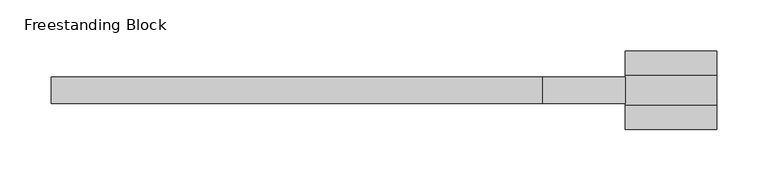
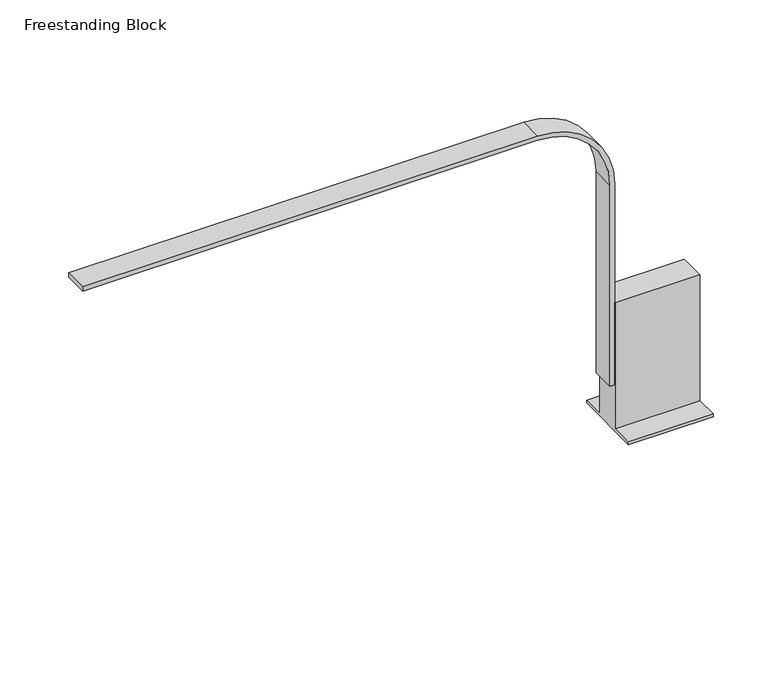
"""IFC4 building model written with IfcOpenShell, lengths in millimetres: light fixture geometry, Freestanding Block."""

from ifc_helpers import new_model, si_unit, point, frame, frame_2d, origin, place, context, project, spatial, polyline, circle_curve, trimmed, segment, composite_curve, outline, extrude, source, transform, mapped, element, save


def freestanding_block_f1cd0fb7(model_context):
    return source(origin(), model_context, "Body", "SweptSolid", [
        extrude(outline(polyline([(209.9657085, 884.5351562), (238.5407085, 884.5351562), (238.5407085, 744.8351563), (262.3532085, 744.8351563), (262.3532085, 741.6601563), (186.1532085, 741.6601563), (186.1532085, 744.8351563), (209.9657085, 744.8351563), (209.9657085, 884.5351562)])), frame((29.4286301, 0.0, 0.0), z_axis=(1.0, 0.0, 0.0), x_axis=(0.0, 1.0, 0.0)), (0.0, 0.0, 1.0), 88.9),
        extrude(outline(composite_curve([segment(polyline([(1097.2601563, -529.3713699), (1092.4976563, -529.3713699), (1092.4976563, -51.5338699)]), True, "CONTINUOUS"), segment(trimmed(circle_curve(frame_2d((1016.2976563, -51.5338699)), 76.2), [point((1092.4976563, -51.5338699))], [point((1016.2976563, 24.6661301))], True, "CARTESIAN"), True, "CONTINUOUS"), segment(polyline([(1016.2976563, 24.6661301), (792.4601563, 24.6661301), (792.4601563, 29.4286301), (1016.2976563, 29.4286301)]), True, "CONTINUOUS"), segment(trimmed(circle_curve(frame_2d((1016.2976563, -51.5338699)), 80.9625), [point((1016.2976563, 29.4286301))], [point((1097.2601563, -51.5338699))], False, "CARTESIAN"), True, "CONTINUOUS"), segment(polyline([(1097.2601563, -51.5338699), (1097.2601563, -529.3713699)]), True, "CONTINUOUS")], self_intersect=False)), frame((0.0, 211.5532085, 0.0), z_axis=(0.0, 1.0, 0.0), x_axis=(0.0, 0.0, 1.0)), (0.0, 0.0, 1.0), 25.4),
    ])


if __name__ == "__main__":
    model = new_model("IFC4")
    model_context = context("Model", 3, world=origin())
    ifc_project = project(units=[si_unit("LENGTHUNIT", "METRE", prefix="MILLI")], contexts=[model_context])
    site = spatial("IfcSite", under=ifc_project)
    building = spatial("IfcBuilding", under=site)
    placement = place(None, origin())
    freestanding_block_shape = freestanding_block_f1cd0fb7(model_context)
    element("IfcLightFixture", 1, ObjectType="Freestanding Block", at=placement, inside=building, context=model_context, shape_type="MappedRepresentation", body=[
        mapped(freestanding_block_shape, transform((0.0, 0.0, 0.0), x_axis=(1.0, 0.0, 0.0), y_axis=(0.0, 1.0, 0.0), z_axis=(0.0, 0.0, 1.0))),
    ])
    save(model, "model.ifc")
